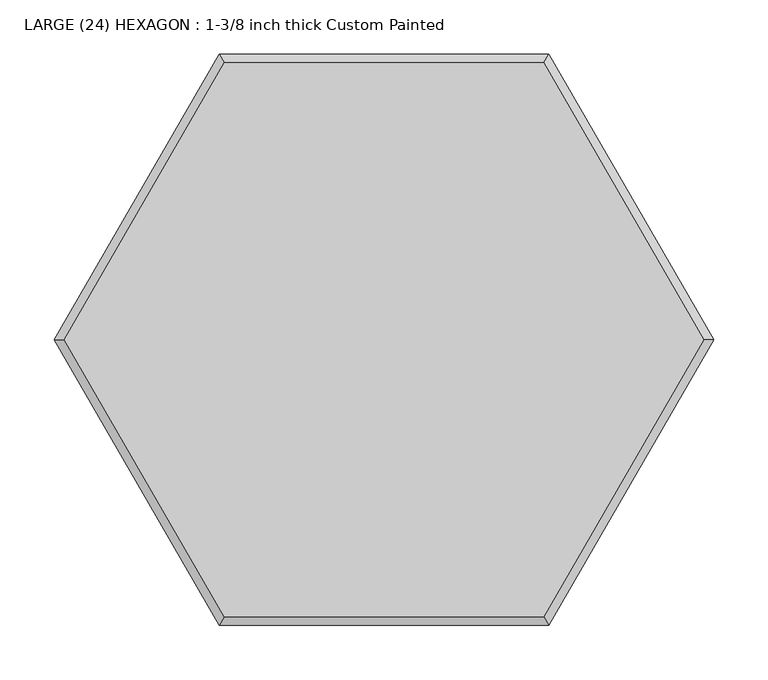
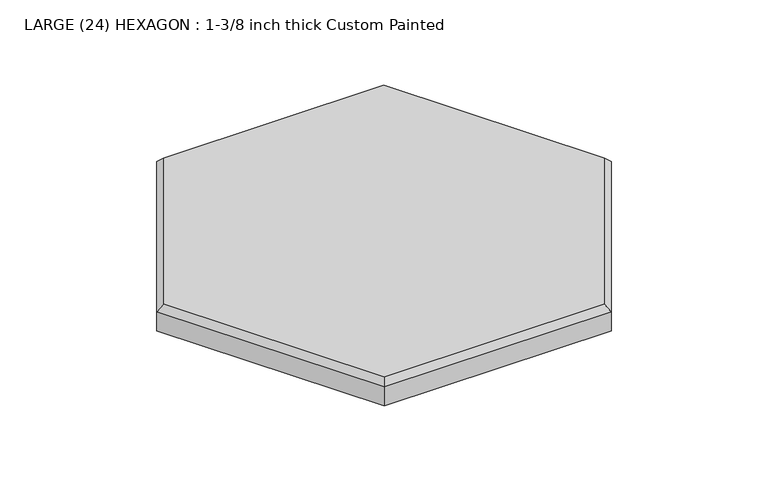
"""IFC4 building model written with IfcOpenShell, lengths in millimetres: proxy geometry, LARGE (24) HEXAGON : 1-3/8 inch thick Custom Painted."""

from ifc_helpers import new_model, si_unit, origin, place, context, project, spatial, faceted_brep, source, transform, mapped, element, save


def large_24_hexagon_1_3_8_inch_thick_custom_painted_3ff51904(model_context):
    return source(origin(), model_context, "Body", "Brep", [
        faceted_brep([(-147.7806205, 255.9635431, 34.925), (-295.561241, 0.0, 34.925), (-147.7806205, -255.9635431, 34.925), (147.7806205, -255.9635431, 34.925), (295.561241, 0.0, 34.925), (147.7806205, 255.9635431, 34.925), (152.4, 263.9645431, 0.0), (304.8, 0.0, 0.0), (152.4, -263.9645431, 0.0), (-152.4, -263.9645431, 0.0), (-304.8, 0.0, 0.0), (-152.4, 263.9645431, 0.0), (-152.4, 263.9645431, 26.924), (152.4, 263.9645431, 26.924), (-304.8, 0.0, 26.924), (-152.4, -263.9645431, 26.924), (152.4, -263.9645431, 26.924), (304.8, 0.0, 26.924)], [[[0, 1, 2, 3, 4, 5]], [[6, 7, 8, 9, 10, 11]], [[6, 11, 12, 13]], [[11, 10, 14, 12]], [[10, 9, 15, 14]], [[9, 8, 16, 15]], [[8, 7, 17, 16]], [[7, 6, 13, 17]], [[14, 1, 0, 12]], [[1, 14, 15, 2]], [[2, 15, 16, 3]], [[3, 16, 17, 4]], [[4, 17, 13, 5]], [[12, 0, 5, 13]]]),
    ])


if __name__ == "__main__":
    model = new_model("IFC4")
    model_context = context("Model", 3, world=origin())
    ifc_project = project(units=[si_unit("LENGTHUNIT", "METRE", prefix="MILLI")], contexts=[model_context])
    site = spatial("IfcSite", under=ifc_project)
    building = spatial("IfcBuilding", under=site)
    placement = place(None, origin())
    large_24_hexagon_1_3_8_inch_thick_custom_painted_shape = large_24_hexagon_1_3_8_inch_thick_custom_painted_3ff51904(model_context)
    element("IfcBuildingElementProxy", 1, Name="LARGE (24) HEXAGON : 1-3/8 inch thick Custom Painted", ObjectType="LARGE (24) HEXAGON : 1-3/8 inch thick Custom Painted", at=placement, inside=building, context=model_context, shape_type="MappedRepresentation", body=[
        mapped(large_24_hexagon_1_3_8_inch_thick_custom_painted_shape, transform((0.0, 0.0, 0.0), x_axis=(1.0, 0.0, 0.0), y_axis=(0.0, 1.0, 0.0), z_axis=(0.0, 0.0, 1.0))),
    ])
    save(model, "model.ifc")
